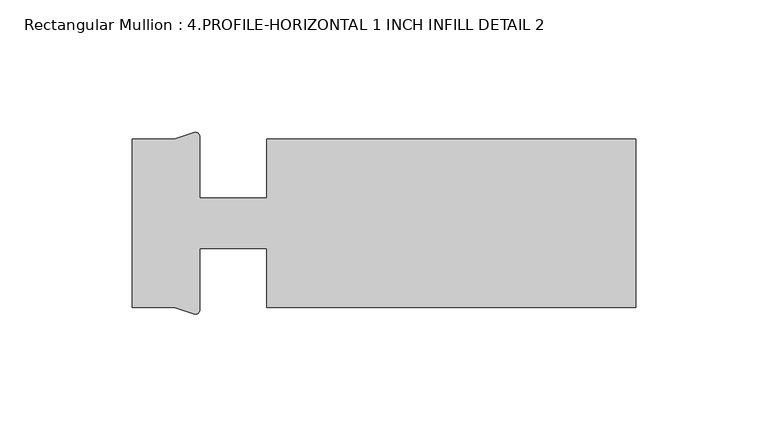
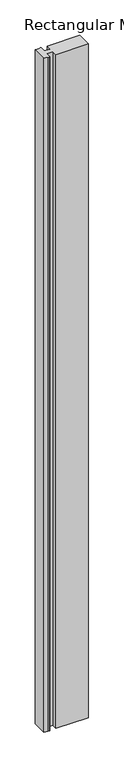
"""IFC4 building model written with IfcOpenShell, lengths in millimetres: member geometry, Rectangular Mullion : 4.PROFILE-HORIZONTAL 1 INCH INFILL DETAIL 2."""

import ifcopenshell
import ifcopenshell.guid

model = None  # the IFC model being written
_history = None  # IfcOwnerHistory: only IFC2X3 demands one
_inside = {}  # id of a spatial element -> (the spatial element, [elements in it])
_under = {}  # id of a project, library or spatial element -> (it, [spatial elements below it])
_declared = {}  # id of a project -> (the project, [libraries it declares])
_typed = {}  # id of a type object -> (the type object, [elements of that type])
_made_of = {}  # id of a material, layer set ... -> (it, [elements and type objects made of it])


def new_model(schema):
    """Start an empty IFC model of exactly this schema.

    Asked for "IFC4X3", IfcOpenShell would pick the latest addendum, in which some entities
    have other attributes; the version numbers below select the first issue.
    IFC2X3 requires an IfcOwnerHistory on every rooted entity: one is made here for all.
    """
    global model, _history
    if schema == "IFC4X3":
        model = ifcopenshell.file(schema_version=(4, 3, 0, 0))
    else:
        model = ifcopenshell.file(schema=schema)
    _inside.clear()
    _under.clear()
    _declared.clear()
    _typed.clear()
    _made_of.clear()
    _history = None
    if model.schema == "IFC2X3":
        org = make("IfcOrganization", Name="unknown")
        user = make(
            "IfcPersonAndOrganization",
            ThePerson=make("IfcPerson", FamilyName="unknown"),
            TheOrganization=org,
        )
        app = make(
            "IfcApplication",
            ApplicationDeveloper=org,
            Version="unknown",
            ApplicationFullName="unknown",
            ApplicationIdentifier="unknown",
        )
        _history = make(
            "IfcOwnerHistory",
            OwningUser=user,
            OwningApplication=app,
            ChangeAction="ADDED",
            CreationDate=0,
        )
    return model


def make(cls, **values):
    """One entity of the class cls with the attributes given. An attribute that is None is left unset."""
    return model.create_entity(
        cls, **{name: value for name, value in values.items() if value is not None}
    )


def rooted(cls, **values):
    """An entity with a GlobalId (a new one), such as an element, a storey or a relation."""
    return make(cls, GlobalId=ifcopenshell.guid.new(), OwnerHistory=_history, **values)


def si_unit(unit_type, name, prefix=None):
    """IfcSIUnit, for example si_unit("LENGTHUNIT", "METRE", prefix="MILLI")."""
    return make("IfcSIUnit", UnitType=unit_type, Prefix=prefix, Name=name)


def assignment(units):
    """IfcUnitAssignment: the units of a project."""
    return None if units is None else make("IfcUnitAssignment", Units=units)


def point(xyz):
    """IfcCartesianPoint."""
    return None if xyz is None else make("IfcCartesianPoint", Coordinates=xyz)


def direction(xyz):
    """IfcDirection."""
    return None if xyz is None else make("IfcDirection", DirectionRatios=xyz)


def frame(location, z_axis=None, x_axis=None):
    """IfcAxis2Placement3D, a coordinate frame: its origin and axes. An axis left out is left unset."""
    return make(
        "IfcAxis2Placement3D",
        Location=point(location),
        Axis=direction(z_axis),
        RefDirection=direction(x_axis),
    )


def frame_2d(location, x_axis=None):
    """IfcAxis2Placement2D, a coordinate frame in the plane: its origin and x axis."""
    return make(
        "IfcAxis2Placement2D", Location=point(location), RefDirection=direction(x_axis)
    )


def origin():
    """The frame at (0, 0, 0) with its axes left unset."""
    return frame((0.0, 0.0, 0.0))


def place(relative_to, where):
    """IfcLocalPlacement: puts the frame where relative to a parent placement (None: the world)."""
    return make(
        "IfcLocalPlacement", PlacementRelTo=relative_to, RelativePlacement=where
    )


def context(
    kind, dimensions, precision=None, world=None, true_north=None, identifier=None
):
    """IfcGeometricRepresentationContext, for example the 3D "Model" context."""
    return make(
        "IfcGeometricRepresentationContext",
        ContextIdentifier=identifier,
        ContextType=kind,
        CoordinateSpaceDimension=dimensions,
        Precision=precision,
        WorldCoordinateSystem=world,
        TrueNorth=true_north,
    )


def project(units=None, contexts=None):
    """IfcProject with its units and contexts."""
    return rooted(
        "IfcProject",
        Name="project",
        RepresentationContexts=contexts,
        UnitsInContext=assignment(units),
    )


def spatial(cls, under=None, at=None, **own):
    """A site, building, storey or space (cls), placed at a placement, below another one or the project."""
    s = rooted(cls, ObjectPlacement=at, **own)
    if under is not None:
        _under.setdefault(under.id(), (under, []))[1].append(s)
    return s


def polyline(points):
    """IfcPolyline through the points."""
    return make("IfcPolyline", Points=[point(p) for p in points])


def circle_curve(where, radius):
    """IfcCircle in the frame where."""
    return make("IfcCircle", Position=where, Radius=radius)


def trimmed(basis, trim1, trim2, sense, master):
    """IfcTrimmedCurve: the piece of a basis curve between two trims."""
    return make(
        "IfcTrimmedCurve",
        BasisCurve=basis,
        Trim1=trim1,
        Trim2=trim2,
        SenseAgreement=sense,
        MasterRepresentation=master,
    )


def segment(curve, same_sense, transition):
    """IfcCompositeCurveSegment."""
    return make(
        "IfcCompositeCurveSegment",
        Transition=transition,
        SameSense=same_sense,
        ParentCurve=curve,
    )


def composite_curve(segments, self_intersect=None):
    """IfcCompositeCurve: segments joined end to end."""
    return make("IfcCompositeCurve", Segments=segments, SelfIntersect=self_intersect)


def outline(outer, holes=None, kind="AREA"):
    """IfcArbitraryClosedProfileDef: a profile drawn as a closed curve; with holes, ...WithVoids."""
    if holes is None:
        return make("IfcArbitraryClosedProfileDef", ProfileType=kind, OuterCurve=outer)
    return make(
        "IfcArbitraryProfileDefWithVoids",
        ProfileType=kind,
        OuterCurve=outer,
        InnerCurves=holes,
    )


def extrude(swept, where, along, depth):
    """IfcExtrudedAreaSolid: the profile swept, set in the frame where, extruded along a direction by depth."""
    return make(
        "IfcExtrudedAreaSolid",
        SweptArea=swept,
        Position=where,
        ExtrudedDirection=direction(along),
        Depth=depth,
    )


def shape(context_of_items, identifier, shape_type, items):
    """IfcShapeRepresentation: the items that make up one representation, for example the "Body"."""
    return make(
        "IfcShapeRepresentation",
        ContextOfItems=context_of_items,
        RepresentationIdentifier=identifier,
        RepresentationType=shape_type,
        Items=items,
    )


def source(mapping_origin, context_of_items, identifier, shape_type, items):
    """IfcRepresentationMap: a shape defined once, which mapped items show again and again."""
    return make(
        "IfcRepresentationMap",
        MappingOrigin=mapping_origin,
        MappedRepresentation=shape(context_of_items, identifier, shape_type, items),
    )


def transform(
    local_origin,
    x_axis=None,
    y_axis=None,
    z_axis=None,
    scale=None,
    scale2=None,
    scale3=None,
    uniform=True,
):
    """IfcCartesianTransformationOperator3D, or its non-uniform kind. x_axis, y_axis, z_axis: its Axis1, 2, 3."""
    if uniform:
        return make(
            "IfcCartesianTransformationOperator3D",
            Axis1=direction(x_axis),
            Axis2=direction(y_axis),
            LocalOrigin=point(local_origin),
            Scale=scale,
            Axis3=direction(z_axis),
        )
    return make(
        "IfcCartesianTransformationOperator3DnonUniform",
        Axis1=direction(x_axis),
        Axis2=direction(y_axis),
        LocalOrigin=point(local_origin),
        Scale=scale,
        Axis3=direction(z_axis),
        Scale2=scale2,
        Scale3=scale3,
    )


def mapped(mapping_source, mapping_target):
    """IfcMappedItem: shows the shape of a source again, moved by a transform."""
    return make(
        "IfcMappedItem", MappingSource=mapping_source, MappingTarget=mapping_target
    )


def made_of(thing, what):
    """Note that an element or type object is made of a material, layer set ...; save() writes the relation."""
    if what is not None:
        _made_of.setdefault(what.id(), (what, []))[1].append(thing)
    return thing


def element(
    cls,
    number,
    at=None,
    inside=None,
    cuts=None,
    type_object=None,
    material=None,
    context=None,
    identifier="Body",
    shape_type=None,
    held_by="IfcProductDefinitionShape",
    body=None,
    shapes=None,
    **own,
):
    """One element of the class cls, such as IfcWall. Its Tag is "e" and its number.

    at: its placement. inside: the storey or other place that contains it. cuts: it is an
    opening in that element (IfcRelVoidsElement). A single representation is given by context,
    identifier, shape_type and body (its items); several are given by shapes. held_by: the class
    of the entity that holds the representations. save() writes the other relations.
    """
    e = rooted(cls, Tag="e%d" % number, ObjectPlacement=at, **own)
    if body is not None:
        shapes = [shape(context, identifier, shape_type, body)]
    if shapes is not None:
        e.Representation = make(held_by, Representations=shapes)
    if inside is not None:
        _inside.setdefault(inside.id(), (inside, []))[1].append(e)
    if cuts is not None:
        rooted(
            "IfcRelVoidsElement", RelatingBuildingElement=cuts, RelatedOpeningElement=e
        )
    if type_object is not None:
        _typed.setdefault(type_object.id(), (type_object, []))[1].append(e)
    return made_of(e, material)


def aggregate(whole, parts):
    """IfcRelAggregates: a whole, such as a stair, and the parts it consists of."""
    return rooted("IfcRelAggregates", RelatingObject=whole, RelatedObjects=parts)


def save(model, path):
    """Write the relations noted so far, then the file.

    IfcRelAggregates (storeys below a building ...), IfcRelContainedInSpatialStructure (elements
    in a storey), IfcRelDefinesByType, IfcRelAssociatesMaterial and IfcRelDeclares: one each for
    every whole, place, type object, material and project.
    """
    for whole, parts in _under.values():
        aggregate(whole, parts)
    for where, things in _inside.values():
        rooted(
            "IfcRelContainedInSpatialStructure",
            RelatedElements=things,
            RelatingStructure=where,
        )
    for kind, things in _typed.values():
        rooted("IfcRelDefinesByType", RelatedObjects=things, RelatingType=kind)
    for what, things in _made_of.values():
        rooted("IfcRelAssociatesMaterial", RelatedObjects=things, RelatingMaterial=what)
    for by, libraries in _declared.values():
        rooted("IfcRelDeclares", RelatingContext=by, RelatedDefinitions=libraries)
    model.write(path)


def rectangular_mullion_4_profile_horizontal_1_inch_infill_90e4dde4(model_context):
    return source(origin(), model_context, "Body", "SweptSolid", [
        extrude(outline(composite_curve([segment(polyline([(-139.192, -31.75), (-139.192, -9.5251132), (-164.5919944, -9.5251132), (-164.5919944, -32.7827499)]), True, "CONTINUOUS"), segment(trimmed(circle_curve(frame_2d((-166.293412, -32.7012373)), 1.703369), [point((-164.5919944, -32.7827499))], [point((-166.1804292, -34.4008552))], False, "CARTESIAN"), True, "CONTINUOUS"), segment(polyline([(-166.1804292, -34.4008552), (-174.1170977, -31.75), (-189.992, -31.75), (-189.992, 31.75), (-174.1170977, 31.75), (-166.1804292, 34.4008552)]), True, "CONTINUOUS"), segment(trimmed(circle_curve(frame_2d((-166.293412, 32.7012373)), 1.703369), [point((-166.1804292, 34.4008552))], [point((-164.5919944, 32.7827499))], False, "CARTESIAN"), True, "CONTINUOUS"), segment(polyline([(-164.5919944, 32.7827499), (-164.5919944, 9.5251132), (-139.192, 9.5251132), (-139.192, 31.75), (0.0, 31.75), (0.0, -31.75), (-139.192, -31.75)]), True, "CONTINUOUS")], self_intersect=False)), frame((0.0, 0.0, -3048.0), z_axis=(0.0, 0.0, 1.0), x_axis=(1.0, 0.0, 0.0)), (0.0, 0.0, 1.0), 3048.0),
    ])


if __name__ == "__main__":
    model = new_model("IFC4")
    model_context = context("Model", 3, world=origin())
    ifc_project = project(units=[si_unit("LENGTHUNIT", "METRE", prefix="MILLI")], contexts=[model_context])
    site = spatial("IfcSite", under=ifc_project)
    building = spatial("IfcBuilding", under=site)
    placement = place(None, origin())
    rectangular_mullion_4_profile_horizontal_1_inch_infill_shape = rectangular_mullion_4_profile_horizontal_1_inch_infill_90e4dde4(model_context)
    element("IfcMember", 1, ObjectType="Rectangular Mullion : 4.PROFILE-HORIZONTAL 1 INCH INFILL DETAIL 2", at=placement, inside=building, context=model_context, shape_type="MappedRepresentation", body=[
        mapped(rectangular_mullion_4_profile_horizontal_1_inch_infill_shape, transform((0.0, 0.0, 0.0), x_axis=(1.0, 0.0, 0.0), y_axis=(0.0, 1.0, 0.0), z_axis=(0.0, 0.0, 1.0))),
    ])
    save(model, "model.ifc")
